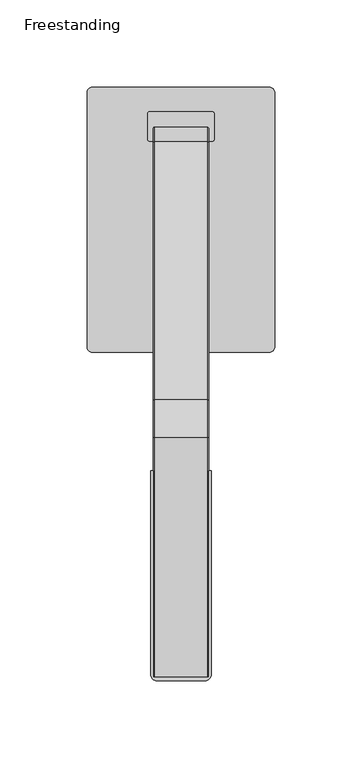
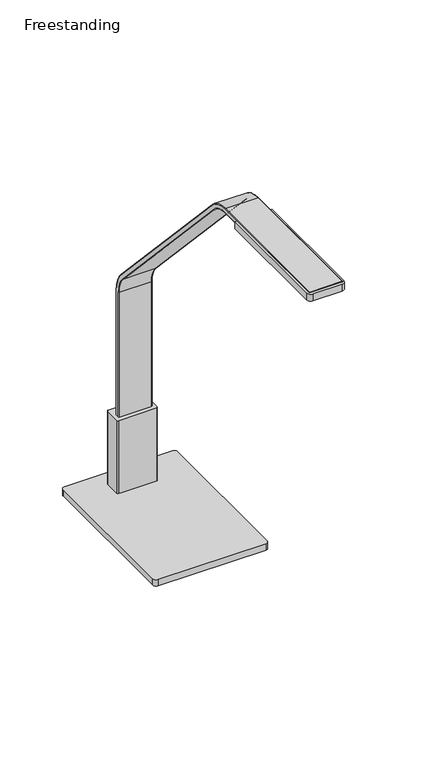
"""IFC4 building model written with IfcOpenShell, lengths in millimetres: furniture geometry, Freestanding."""

import ifcopenshell
import ifcopenshell.guid

model = None  # the IFC model being written
_history = None  # IfcOwnerHistory: only IFC2X3 demands one
_inside = {}  # id of a spatial element -> (the spatial element, [elements in it])
_under = {}  # id of a project, library or spatial element -> (it, [spatial elements below it])
_declared = {}  # id of a project -> (the project, [libraries it declares])
_typed = {}  # id of a type object -> (the type object, [elements of that type])
_made_of = {}  # id of a material, layer set ... -> (it, [elements and type objects made of it])


def new_model(schema):
    """Start an empty IFC model of exactly this schema.

    Asked for "IFC4X3", IfcOpenShell would pick the latest addendum, in which some entities
    have other attributes; the version numbers below select the first issue.
    IFC2X3 requires an IfcOwnerHistory on every rooted entity: one is made here for all.
    """
    global model, _history
    if schema == "IFC4X3":
        model = ifcopenshell.file(schema_version=(4, 3, 0, 0))
    else:
        model = ifcopenshell.file(schema=schema)
    _inside.clear()
    _under.clear()
    _declared.clear()
    _typed.clear()
    _made_of.clear()
    _history = None
    if model.schema == "IFC2X3":
        org = make("IfcOrganization", Name="unknown")
        user = make(
            "IfcPersonAndOrganization",
            ThePerson=make("IfcPerson", FamilyName="unknown"),
            TheOrganization=org,
        )
        app = make(
            "IfcApplication",
            ApplicationDeveloper=org,
            Version="unknown",
            ApplicationFullName="unknown",
            ApplicationIdentifier="unknown",
        )
        _history = make(
            "IfcOwnerHistory",
            OwningUser=user,
            OwningApplication=app,
            ChangeAction="ADDED",
            CreationDate=0,
        )
    return model


def make(cls, **values):
    """One entity of the class cls with the attributes given. An attribute that is None is left unset."""
    return model.create_entity(
        cls, **{name: value for name, value in values.items() if value is not None}
    )


def rooted(cls, **values):
    """An entity with a GlobalId (a new one), such as an element, a storey or a relation."""
    return make(cls, GlobalId=ifcopenshell.guid.new(), OwnerHistory=_history, **values)


def si_unit(unit_type, name, prefix=None):
    """IfcSIUnit, for example si_unit("LENGTHUNIT", "METRE", prefix="MILLI")."""
    return make("IfcSIUnit", UnitType=unit_type, Prefix=prefix, Name=name)


def assignment(units):
    """IfcUnitAssignment: the units of a project."""
    return None if units is None else make("IfcUnitAssignment", Units=units)


def point(xyz):
    """IfcCartesianPoint."""
    return None if xyz is None else make("IfcCartesianPoint", Coordinates=xyz)


def direction(xyz):
    """IfcDirection."""
    return None if xyz is None else make("IfcDirection", DirectionRatios=xyz)


def frame(location, z_axis=None, x_axis=None):
    """IfcAxis2Placement3D, a coordinate frame: its origin and axes. An axis left out is left unset."""
    return make(
        "IfcAxis2Placement3D",
        Location=point(location),
        Axis=direction(z_axis),
        RefDirection=direction(x_axis),
    )


def frame_2d(location, x_axis=None):
    """IfcAxis2Placement2D, a coordinate frame in the plane: its origin and x axis."""
    return make(
        "IfcAxis2Placement2D", Location=point(location), RefDirection=direction(x_axis)
    )


def origin():
    """The frame at (0, 0, 0) with its axes left unset."""
    return frame((0.0, 0.0, 0.0))


def place(relative_to, where):
    """IfcLocalPlacement: puts the frame where relative to a parent placement (None: the world)."""
    return make(
        "IfcLocalPlacement", PlacementRelTo=relative_to, RelativePlacement=where
    )


def context(
    kind, dimensions, precision=None, world=None, true_north=None, identifier=None
):
    """IfcGeometricRepresentationContext, for example the 3D "Model" context."""
    return make(
        "IfcGeometricRepresentationContext",
        ContextIdentifier=identifier,
        ContextType=kind,
        CoordinateSpaceDimension=dimensions,
        Precision=precision,
        WorldCoordinateSystem=world,
        TrueNorth=true_north,
    )


def project(units=None, contexts=None):
    """IfcProject with its units and contexts."""
    return rooted(
        "IfcProject",
        Name="project",
        RepresentationContexts=contexts,
        UnitsInContext=assignment(units),
    )


def spatial(cls, under=None, at=None, **own):
    """A site, building, storey or space (cls), placed at a placement, below another one or the project."""
    s = rooted(cls, ObjectPlacement=at, **own)
    if under is not None:
        _under.setdefault(under.id(), (under, []))[1].append(s)
    return s


def polyline(points):
    """IfcPolyline through the points."""
    return make("IfcPolyline", Points=[point(p) for p in points])


def circle_curve(where, radius):
    """IfcCircle in the frame where."""
    return make("IfcCircle", Position=where, Radius=radius)


def ellipse_curve(where, semi_axis1, semi_axis2):
    """IfcEllipse in the frame where."""
    return make(
        "IfcEllipse", Position=where, SemiAxis1=semi_axis1, SemiAxis2=semi_axis2
    )


def trimmed(basis, trim1, trim2, sense, master):
    """IfcTrimmedCurve: the piece of a basis curve between two trims."""
    return make(
        "IfcTrimmedCurve",
        BasisCurve=basis,
        Trim1=trim1,
        Trim2=trim2,
        SenseAgreement=sense,
        MasterRepresentation=master,
    )


def segment(curve, same_sense, transition):
    """IfcCompositeCurveSegment."""
    return make(
        "IfcCompositeCurveSegment",
        Transition=transition,
        SameSense=same_sense,
        ParentCurve=curve,
    )


def composite_curve(segments, self_intersect=None):
    """IfcCompositeCurve: segments joined end to end."""
    return make("IfcCompositeCurve", Segments=segments, SelfIntersect=self_intersect)


def outline(outer, holes=None, kind="AREA"):
    """IfcArbitraryClosedProfileDef: a profile drawn as a closed curve; with holes, ...WithVoids."""
    if holes is None:
        return make("IfcArbitraryClosedProfileDef", ProfileType=kind, OuterCurve=outer)
    return make(
        "IfcArbitraryProfileDefWithVoids",
        ProfileType=kind,
        OuterCurve=outer,
        InnerCurves=holes,
    )


def extrude(swept, where, along, depth):
    """IfcExtrudedAreaSolid: the profile swept, set in the frame where, extruded along a direction by depth."""
    return make(
        "IfcExtrudedAreaSolid",
        SweptArea=swept,
        Position=where,
        ExtrudedDirection=direction(along),
        Depth=depth,
    )


def shape(context_of_items, identifier, shape_type, items):
    """IfcShapeRepresentation: the items that make up one representation, for example the "Body"."""
    return make(
        "IfcShapeRepresentation",
        ContextOfItems=context_of_items,
        RepresentationIdentifier=identifier,
        RepresentationType=shape_type,
        Items=items,
    )


def source(mapping_origin, context_of_items, identifier, shape_type, items):
    """IfcRepresentationMap: a shape defined once, which mapped items show again and again."""
    return make(
        "IfcRepresentationMap",
        MappingOrigin=mapping_origin,
        MappedRepresentation=shape(context_of_items, identifier, shape_type, items),
    )


def transform(
    local_origin,
    x_axis=None,
    y_axis=None,
    z_axis=None,
    scale=None,
    scale2=None,
    scale3=None,
    uniform=True,
):
    """IfcCartesianTransformationOperator3D, or its non-uniform kind. x_axis, y_axis, z_axis: its Axis1, 2, 3."""
    if uniform:
        return make(
            "IfcCartesianTransformationOperator3D",
            Axis1=direction(x_axis),
            Axis2=direction(y_axis),
            LocalOrigin=point(local_origin),
            Scale=scale,
            Axis3=direction(z_axis),
        )
    return make(
        "IfcCartesianTransformationOperator3DnonUniform",
        Axis1=direction(x_axis),
        Axis2=direction(y_axis),
        LocalOrigin=point(local_origin),
        Scale=scale,
        Axis3=direction(z_axis),
        Scale2=scale2,
        Scale3=scale3,
    )


def mapped(mapping_source, mapping_target):
    """IfcMappedItem: shows the shape of a source again, moved by a transform."""
    return make(
        "IfcMappedItem", MappingSource=mapping_source, MappingTarget=mapping_target
    )


def made_of(thing, what):
    """Note that an element or type object is made of a material, layer set ...; save() writes the relation."""
    if what is not None:
        _made_of.setdefault(what.id(), (what, []))[1].append(thing)
    return thing


def element(
    cls,
    number,
    at=None,
    inside=None,
    cuts=None,
    type_object=None,
    material=None,
    context=None,
    identifier="Body",
    shape_type=None,
    held_by="IfcProductDefinitionShape",
    body=None,
    shapes=None,
    **own,
):
    """One element of the class cls, such as IfcWall. Its Tag is "e" and its number.

    at: its placement. inside: the storey or other place that contains it. cuts: it is an
    opening in that element (IfcRelVoidsElement). A single representation is given by context,
    identifier, shape_type and body (its items); several are given by shapes. held_by: the class
    of the entity that holds the representations. save() writes the other relations.
    """
    e = rooted(cls, Tag="e%d" % number, ObjectPlacement=at, **own)
    if body is not None:
        shapes = [shape(context, identifier, shape_type, body)]
    if shapes is not None:
        e.Representation = make(held_by, Representations=shapes)
    if inside is not None:
        _inside.setdefault(inside.id(), (inside, []))[1].append(e)
    if cuts is not None:
        rooted(
            "IfcRelVoidsElement", RelatingBuildingElement=cuts, RelatedOpeningElement=e
        )
    if type_object is not None:
        _typed.setdefault(type_object.id(), (type_object, []))[1].append(e)
    return made_of(e, material)


def aggregate(whole, parts):
    """IfcRelAggregates: a whole, such as a stair, and the parts it consists of."""
    return rooted("IfcRelAggregates", RelatingObject=whole, RelatedObjects=parts)


def save(model, path):
    """Write the relations noted so far, then the file.

    IfcRelAggregates (storeys below a building ...), IfcRelContainedInSpatialStructure (elements
    in a storey), IfcRelDefinesByType, IfcRelAssociatesMaterial and IfcRelDeclares: one each for
    every whole, place, type object, material and project.
    """
    for whole, parts in _under.values():
        aggregate(whole, parts)
    for where, things in _inside.values():
        rooted(
            "IfcRelContainedInSpatialStructure",
            RelatedElements=things,
            RelatingStructure=where,
        )
    for kind, things in _typed.values():
        rooted("IfcRelDefinesByType", RelatedObjects=things, RelatingType=kind)
    for what, things in _made_of.values():
        rooted("IfcRelAssociatesMaterial", RelatedObjects=things, RelatingMaterial=what)
    for by, libraries in _declared.values():
        rooted("IfcRelDeclares", RelatingContext=by, RelatedDefinitions=libraries)
    model.write(path)


def plane_surface(at):
    """IfcPlane: the flat surface through the origin of the frame at, square to its z axis."""
    return make("IfcPlane", Position=at)


def cylinder_surface(at, radius):
    """IfcCylindricalSurface: all points at the distance radius from the z axis of the frame at."""
    return make("IfcCylindricalSurface", Position=at, Radius=radius)


def revolved_surface(curve, axis_point, axis_direction):
    """IfcSurfaceOfRevolution: the curve turned about the line through axis_point along axis_direction."""
    return make(
        "IfcSurfaceOfRevolution",
        SweptCurve=make("IfcArbitraryOpenProfileDef", ProfileType="CURVE", Curve=curve),
        AxisPosition=make("IfcAxis1Placement", Location=point(axis_point), Axis=direction(axis_direction)),
    )


def advanced_brep(points, edges, surfaces, faces):
    """IfcAdvancedBrep: a solid bounded by faces that lie on surfaces and meet in shared edges.

    An edge is (start, end): straight between two places in points (the first is 0);
    or (start, end, curve); or (start, end, curve, False) where it runs against its curve.
    A face is (place in surfaces, loops), or (place, loops, False) where it looks against
    its surface's normal. A loop lists edges by number (the first is 1), with a minus sign
    where the edge is run from its end to its start. The first loop is the outer one.
    """
    corners = [point(p) for p in points]
    vertices = [make("IfcVertexPoint", VertexGeometry=c) for c in corners]
    made = []
    for start, end, *more in edges:
        made.append(
            make(
                "IfcEdgeCurve",
                EdgeStart=vertices[start],
                EdgeEnd=vertices[end],
                EdgeGeometry=more[0] if more else make("IfcPolyline", Points=[corners[start], corners[end]]),
                SameSense=more[1] if len(more) > 1 else True,
            )
        )
    hull = []
    for where, loops, *sense in faces:
        bounds = []
        for j, loop in enumerate(loops):
            ring = [make("IfcOrientedEdge", EdgeElement=made[abs(k) - 1], Orientation=k > 0) for k in loop]
            bounds.append(
                make(
                    "IfcFaceOuterBound" if j == 0 else "IfcFaceBound",
                    Bound=make("IfcEdgeLoop", EdgeList=ring),
                    Orientation=True,
                )
            )
        hull.append(make("IfcAdvancedFace", Bounds=bounds, FaceSurface=surfaces[where], SameSense=sense[0] if sense else True))
    return make("IfcAdvancedBrep", Outer=make("IfcClosedShell", CfsFaces=hull))


def freestanding_bfe1cf66(model_context):
    return source(origin(), model_context, "Body", "SolidModel", [
        extrude(outline(composite_curve([segment(trimmed(circle_curve(frame_2d((-41.2113861, 31.553418)), 6.35), [point((-47.5613861, 31.553418))], [point((-34.8613861, 31.553418))], False, "CARTESIAN"), True, "CONTINUOUS"), segment(trimmed(circle_curve(frame_2d((-41.2113861, 31.553418)), 6.35), [point((-34.8613861, 31.553418))], [point((-47.5613861, 31.553418))], False, "CARTESIAN"), True, "CONTINUOUS")], self_intersect=False)), frame((0.0, 0.0, 711.2), z_axis=(0.0, 0.0, 1.0), x_axis=(1.0, 0.0, 0.0)), (0.0, 0.0, 1.0), 4.7497828),
        extrude(outline(composite_curve([segment(trimmed(circle_curve(frame_2d((41.2113861, 31.553418)), 6.35), [point((47.5613861, 31.553418))], [point((34.8613861, 31.553418))], False, "CARTESIAN"), True, "CONTINUOUS"), segment(trimmed(circle_curve(frame_2d((41.2113861, 31.553418)), 6.35), [point((34.8613861, 31.553418))], [point((47.5613861, 31.553418))], False, "CARTESIAN"), True, "CONTINUOUS")], self_intersect=False)), frame((0.0, 0.0, 711.2), z_axis=(0.0, 0.0, 1.0), x_axis=(1.0, 0.0, 0.0)), (0.0, 0.0, 1.0), 4.7497828),
        extrude(outline(composite_curve([segment(trimmed(circle_curve(frame_2d((-41.2113861, -94.7478165)), 6.35), [point((-47.5613861, -94.7478165))], [point((-34.8613861, -94.7478165))], False, "CARTESIAN"), True, "CONTINUOUS"), segment(trimmed(circle_curve(frame_2d((-41.2113861, -94.7478165)), 6.35), [point((-34.8613861, -94.7478165))], [point((-47.5613861, -94.7478165))], False, "CARTESIAN"), True, "CONTINUOUS")], self_intersect=False)), frame((0.0, 0.0, 711.2), z_axis=(0.0, 0.0, 1.0), x_axis=(1.0, 0.0, 0.0)), (0.0, 0.0, 1.0), 4.7497828),
        extrude(outline(composite_curve([segment(trimmed(circle_curve(frame_2d((41.2113861, -94.7478165)), 6.35), [point((47.5613861, -94.7478165))], [point((34.8613861, -94.7478165))], False, "CARTESIAN"), True, "CONTINUOUS"), segment(trimmed(circle_curve(frame_2d((41.2113861, -94.7478165)), 6.35), [point((34.8613861, -94.7478165))], [point((47.5613861, -94.7478165))], False, "CARTESIAN"), True, "CONTINUOUS")], self_intersect=False)), frame((0.0, 0.0, 711.2), z_axis=(0.0, 0.0, 1.0), x_axis=(1.0, 0.0, 0.0)), (0.0, 0.0, 1.0), 4.7497828),
        extrude(outline(composite_curve([segment(polyline([(-53.9751938, -104.6222477), (-53.9751938, 41.4278492)]), True, "CONTINUOUS"), segment(trimmed(circle_curve(frame_2d((-50.8000969, 41.4278492)), 3.1750969), [point((-53.9751938, 41.4278492))], [point((-50.8000969, 44.6029461))], False, "CARTESIAN"), True, "CONTINUOUS"), segment(polyline([(-50.8000969, 44.6029461), (50.7995155, 44.6029461)]), True, "CONTINUOUS"), segment(trimmed(circle_curve(frame_2d((50.7995155, 41.4278492)), 3.1750969), [point((50.7995155, 44.6029461))], [point((53.9746124, 41.4278492))], False, "CARTESIAN"), True, "CONTINUOUS"), segment(polyline([(53.9746124, 41.4278492), (53.9746124, -104.6222477)]), True, "CONTINUOUS"), segment(trimmed(circle_curve(frame_2d((50.7998062, -104.6222477)), 3.1748062), [point((53.9746124, -104.6222477))], [point((50.7998062, -107.7970539))], False, "CARTESIAN"), True, "CONTINUOUS"), segment(polyline([(50.7998062, -107.7970539), (-50.8003876, -107.7970539)]), True, "CONTINUOUS"), segment(trimmed(circle_curve(frame_2d((-50.8003876, -104.6222477)), 3.1748062), [point((-50.8003876, -107.7970539))], [point((-53.9751938, -104.6222477))], False, "CARTESIAN"), True, "CONTINUOUS")], self_intersect=False)), frame((0.0, 0.0, 715.9497828), z_axis=(0.0, 0.0, 1.0), x_axis=(1.0, 0.0, 0.0)), (0.0, 0.0, 1.0), 6.3500484),
        extrude(outline(composite_curve([segment(trimmed(circle_curve(frame_2d((18.034, 29.4391905)), 1.016), [point((18.034, 30.4551905))], [point((19.05, 29.4391905))], False, "CARTESIAN"), True, "CONTINUOUS"), segment(polyline([(19.05, 29.4391905), (19.05, 14.5802157)]), True, "CONTINUOUS"), segment(trimmed(circle_curve(frame_2d((18.034, 14.5802157)), 1.016), [point((19.05, 14.5802157))], [point((18.034, 13.5642157))], False, "CARTESIAN"), True, "CONTINUOUS"), segment(polyline([(18.034, 13.5642157), (-18.034, 13.5642157)]), True, "CONTINUOUS"), segment(trimmed(circle_curve(frame_2d((-18.034, 14.5802157)), 1.016), [point((-18.034, 13.5642157))], [point((-19.05, 14.5802157))], False, "CARTESIAN"), True, "CONTINUOUS"), segment(polyline([(-19.05, 14.5802157), (-19.05, 29.4391905)]), True, "CONTINUOUS"), segment(trimmed(circle_curve(frame_2d((-18.034, 29.4391905)), 1.016), [point((-19.05, 29.4391905))], [point((-18.034, 30.4551905))], False, "CARTESIAN"), True, "CONTINUOUS"), segment(polyline([(-18.034, 30.4551905), (18.034, 30.4551905)]), True, "CONTINUOUS")], self_intersect=False)), frame((0.0, 0.0, 722.2998312), z_axis=(0.0, 0.0, 1.0), x_axis=(1.0, 0.0, 0.0)), (0.0, 0.0, 1.0), 73.0249688),
        extrude(outline(composite_curve([segment(polyline([(17.4750961, -176.0056678), (17.4750961, -292.8456678)]), True, "CONTINUOUS"), segment(trimmed(circle_curve(frame_2d((13.6650961, -292.8456678)), 3.81), [point((17.4750961, -292.8456678))], [point((13.6650961, -296.6556678))], False, "CARTESIAN"), True, "CONTINUOUS"), segment(polyline([(13.6650961, -296.6556678), (-13.6525, -296.6556678)]), True, "CONTINUOUS"), segment(trimmed(circle_curve(frame_2d((-13.6525, -292.8456678)), 3.81), [point((-13.6525, -296.6556678))], [point((-17.4625, -292.8456678))], False, "CARTESIAN"), True, "CONTINUOUS"), segment(polyline([(-17.4625, -292.8456678), (-17.4625, -176.0056678), (17.4750961, -176.0056678)]), True, "CONTINUOUS")], self_intersect=False)), frame((0.0, 0.0, 1101.2423787), z_axis=(0.0, 0.0, 1.0), x_axis=(1.0, 0.0, 0.0)), (0.0, 0.0, 1.0), 6.858),
        advanced_brep(
        [(-15.113, 21.5351681, 728.1420386), (15.113, 21.5351681, 728.1420386), (15.875, 20.7731681, 728.1420386), (15.875, 17.7251361, 728.1420386), (15.113, 16.9631361, 728.1420386), (-15.113, 16.9631361, 728.1420386), (-15.875, 17.7251361, 728.1420386), (-15.875, 20.7731681, 728.1420386), (-15.113, 21.5351681, 919.9306879), (15.113, 21.5351681, 919.9306879), (15.875, 20.7731681, 919.9306879), (15.875, 12.9261453, 939.8517272), (15.875, -135.4226637, 1098.9386569), (15.875, -156.7856729, 1108.2276496), (15.875, -294.313864, 1108.2276496), (15.875, -294.313864, 1105.1796176), (15.875, -156.7856729, 1105.1796176), (15.875, -137.6518682, 1096.8599202), (15.875, 10.6969408, 937.7729905), (15.875, 17.7251361, 919.9306879), (15.113, 16.9631361, 919.9306879), (-15.113, 16.9631361, 919.9306879), (-15.875, 17.7251361, 919.9306879), (-15.875, 10.6969408, 937.7729905), (-15.875, -137.6518682, 1096.8599202), (-15.875, -156.7856729, 1105.1796176), (-15.875, -294.313864, 1105.1796176), (-15.875, -294.313864, 1108.2276496), (-15.875, -156.7856729, 1108.2276496), (-15.875, -135.4226637, 1098.9386569), (-15.875, 12.9261453, 939.8517272), (-15.875, 20.7731681, 919.9306879), (15.113, 13.4834406, 940.3714059), (-15.113, 13.4834406, 940.3714059), (15.113, 10.1396455, 937.2533118), (-15.113, 10.1396455, 937.2533118), (-15.113, -134.8653684, 1099.4583356), (15.113, -134.8653684, 1099.4583356), (15.113, -138.2091635, 1096.3402415), (-15.113, -138.2091635, 1096.3402415), (15.113, -156.7856729, 1108.9896496), (-15.113, -156.7856729, 1108.9896496), (15.113, -156.7856729, 1104.4176176), (-15.113, -156.7856729, 1104.4176176), (-15.113, -294.313864, 1108.9896496), (-15.113, -294.313864, 1104.4176176), (15.113, -294.313864, 1104.4176176), (15.113, -294.313864, 1108.9896496)],
        [
            (0, 1),
            (1, 2, circle_curve(frame((15.113, 20.7731681, 728.1420386), z_axis=(0.0, 0.0, -1.0), x_axis=(0.0, -1.0, 0.0)), 0.762)),
            (2, 3),
            (3, 4, circle_curve(frame((15.113, 17.7251361, 728.1420386), z_axis=(0.0, 0.0, -1.0), x_axis=(0.0, -1.0, 0.0)), 0.762)),
            (4, 5),
            (5, 6, circle_curve(frame((-15.113, 17.7251361, 728.1420386), z_axis=(0.0, 0.0, -1.0), x_axis=(0.0, -1.0, 0.0)), 0.762)),
            (6, 7),
            (7, 0, circle_curve(frame((-15.113, 20.7731681, 728.1420386), z_axis=(0.0, 0.0, -1.0), x_axis=(0.0, -1.0, 0.0)), 0.762)),
            (0, 8),
            (8, 9),
            (9, 1),
            (9, 10, circle_curve(frame((15.113, 20.7731681, 919.9306879), z_axis=(0.0, 0.0, -1.0), x_axis=(0.0, -1.0, 0.0)), 0.762)),
            (10, 2),
            (10, 11, circle_curve(frame((15.875, -8.4368639, 919.9306879), z_axis=(1.0, 0.0, 0.0), x_axis=(0.0, 1.0, 0.0)), 29.210032)),
            (11, 12),
            (12, 13, circle_curve(frame((15.875, -156.7856729, 1079.0176176), z_axis=(1.0, 0.0, 0.0), x_axis=(0.0, 0.7313586383957666, 0.6819930659793325)), 29.210032)),
            (13, 14),
            (14, 15),
            (15, 16),
            (16, 17, circle_curve(frame((15.875, -156.7856729, 1079.0176176), z_axis=(-1.0, 0.0, 0.0), x_axis=(0.0, 0.7313586383957666, 0.6819930659793325)), 26.162)),
            (17, 18),
            (18, 19, circle_curve(frame((15.875, -8.4368639, 919.9306879), z_axis=(-1.0, 0.0, 0.0), x_axis=(0.0, 1.0, 0.0)), 26.162)),
            (19, 3),
            (19, 20, circle_curve(frame((15.113, 17.7251361, 919.9306879), z_axis=(0.0, 0.0, -1.0), x_axis=(0.0, -1.0, 0.0)), 0.762)),
            (20, 4),
            (20, 21),
            (21, 5),
            (21, 22, circle_curve(frame((-15.113, 17.7251361, 919.9306879), z_axis=(0.0, 0.0, -1.0), x_axis=(0.0, -1.0, 0.0)), 0.762)),
            (22, 6),
            (22, 23, circle_curve(frame((-15.875, -8.4368639, 919.9306879), z_axis=(1.0, 0.0, 0.0), x_axis=(0.0, 1.0, 0.0)), 26.162)),
            (23, 24),
            (24, 25, circle_curve(frame((-15.875, -156.7856729, 1079.0176176), z_axis=(1.0, 0.0, 0.0), x_axis=(0.0, 0.7313586383957666, 0.6819930659793325)), 26.162)),
            (25, 26),
            (26, 27),
            (27, 28),
            (28, 29, circle_curve(frame((-15.875, -156.7856729, 1079.0176176), z_axis=(-1.0, 0.0, 0.0), x_axis=(0.0, 0.7313586383957666, 0.6819930659793325)), 29.210032)),
            (29, 30),
            (30, 31, circle_curve(frame((-15.875, -8.4368639, 919.9306879), z_axis=(-1.0, 0.0, 0.0), x_axis=(0.0, 1.0, 0.0)), 29.210032)),
            (31, 7),
            (31, 8, circle_curve(frame((-15.113, 20.7731681, 919.9306879), z_axis=(0.0, 0.0, -1.0), x_axis=(0.0, -1.0, 0.0)), 0.762)),
            (32, 9, circle_curve(frame((15.113, -8.4368639, 919.9306879), z_axis=(-1.0, 0.0, 0.0), x_axis=(0.0, 1.0, 0.0)), 29.972032)),
            (8, 33, circle_curve(frame((-15.113, -8.4368639, 919.9306879), z_axis=(1.0, 0.0, 0.0), x_axis=(0.0, 1.0, 0.0)), 29.972032)),
            (33, 32),
            (32, 11, circle_curve(frame((15.113, 12.9261453, 939.8517272), z_axis=(0.0, 0.6819930659793774, -0.7313586383957249), x_axis=(0.0, -0.7313586383957249, -0.6819930659793774)), 0.762)),
            (34, 20, circle_curve(frame((15.113, -8.4368639, 919.9306879), z_axis=(-1.0, 0.0, 0.0), x_axis=(0.0, 1.0, 0.0)), 25.4)),
            (18, 34, circle_curve(frame((15.113, 10.6969408, 937.7729905), z_axis=(0.0, 0.6819930659793765, -0.7313586383957257), x_axis=(0.0, -0.7313586383957257, -0.6819930659793765)), 0.762)),
            (35, 21, circle_curve(frame((-15.113, -8.4368639, 919.9306879), z_axis=(-1.0, 0.0, 0.0), x_axis=(0.0, 1.0, 0.0)), 25.4)),
            (34, 35),
            (35, 23, circle_curve(frame((-15.113, 10.6969408, 937.7729905), z_axis=(0.0, 0.6819930659793757, -0.7313586383957265), x_axis=(0.0, -0.7313586383957265, -0.6819930659793757)), 0.762)),
            (30, 33, circle_curve(frame((-15.113, 12.9261453, 939.8517272), z_axis=(0.0, 0.6819930659793763, -0.7313586383957259), x_axis=(0.0, -0.7313586383957259, -0.6819930659793763)), 0.762)),
            (33, 36),
            (36, 37),
            (37, 32),
            (37, 12, circle_curve(frame((15.113, -135.4226637, 1098.9386569), z_axis=(0.0, 0.6819930659793672, -0.7313586383957346), x_axis=(0.0, -0.7313586383957346, -0.6819930659793672)), 0.762)),
            (17, 38, circle_curve(frame((15.113, -137.6518682, 1096.8599202), z_axis=(0.0, 0.6819930659793672, -0.7313586383957346), x_axis=(0.0, -0.7313586383957346, -0.6819930659793672)), 0.762)),
            (38, 34),
            (38, 39),
            (39, 35),
            (39, 24, circle_curve(frame((-15.113, -137.6518682, 1096.8599202), z_axis=(0.0, 0.6819930659793672, -0.7313586383957346), x_axis=(0.0, -0.7313586383957346, -0.6819930659793672)), 0.762)),
            (29, 36, circle_curve(frame((-15.113, -135.4226637, 1098.9386569), z_axis=(0.0, 0.6819930659793672, -0.7313586383957346), x_axis=(0.0, -0.7313586383957346, -0.6819930659793672)), 0.762)),
            (40, 37, circle_curve(frame((15.113, -156.7856729, 1079.0176176), z_axis=(-1.0, 0.0, 0.0), x_axis=(0.0, 0.7313586383957666, 0.6819930659793325)), 29.972032)),
            (36, 41, circle_curve(frame((-15.113, -156.7856729, 1079.0176176), z_axis=(1.0, 0.0, 0.0), x_axis=(0.0, 0.7313586383957666, 0.6819930659793325)), 29.972032)),
            (41, 40),
            (40, 13, circle_curve(frame((15.113, -156.7856729, 1108.2276496), z_axis=(0.0, 1.0, 0.0), x_axis=(0.0, 0.0, -1.0)), 0.762)),
            (42, 38, circle_curve(frame((15.113, -156.7856729, 1079.0176176), z_axis=(-1.0, 0.0, 0.0), x_axis=(0.0, 0.7313586383957666, 0.6819930659793325)), 25.4)),
            (16, 42, circle_curve(frame((15.113, -156.7856729, 1105.1796176), z_axis=(0.0, 1.0, 0.0), x_axis=(0.0, 0.0, -1.0)), 0.762)),
            (43, 39, circle_curve(frame((-15.113, -156.7856729, 1079.0176176), z_axis=(-1.0, 0.0, 0.0), x_axis=(0.0, 0.7313586383957666, 0.6819930659793325)), 25.4)),
            (42, 43),
            (43, 25, circle_curve(frame((-15.113, -156.7856729, 1105.1796176), z_axis=(0.0, 1.0, 0.0), x_axis=(0.0, 0.0, -1.0)), 0.762)),
            (28, 41, circle_curve(frame((-15.113, -156.7856729, 1108.2276496), z_axis=(0.0, 1.0, 0.0), x_axis=(0.0, 0.0, -1.0)), 0.762)),
            (44, 27, circle_curve(frame((-15.113, -294.313864, 1108.2276496), z_axis=(0.0, -1.0, 0.0), x_axis=(0.0, 0.0, -1.0)), 0.762)),
            (26, 45, circle_curve(frame((-15.113, -294.313864, 1105.1796176), z_axis=(0.0, -1.0, 0.0), x_axis=(0.0, 0.0, -1.0)), 0.762)),
            (45, 46),
            (46, 15, circle_curve(frame((15.113, -294.313864, 1105.1796176), z_axis=(0.0, -1.0, 0.0), x_axis=(0.0, 0.0, -1.0)), 0.762)),
            (14, 47, circle_curve(frame((15.113, -294.313864, 1108.2276496), z_axis=(0.0, -1.0, 0.0), x_axis=(0.0, 0.0, -1.0)), 0.762)),
            (47, 44),
            (41, 44),
            (47, 40),
            (46, 42),
            (45, 43),
        ],
        [
            plane_surface(frame((0.0, 16.9631361, 728.1420386), z_axis=(0.0, 0.0, -1.0), x_axis=(1.0, 0.0, 0.0))),
            plane_surface(frame((-15.113, 21.5351681, 728.1420386), z_axis=(0.0, 1.0, 0.0), x_axis=(0.0, 0.0, 1.0))),
            cylinder_surface(frame((15.113, 20.7731681, 728.1420386), z_axis=(0.0, 0.0, -1.0), x_axis=(0.0, -1.0, 0.0)), 0.762),
            plane_surface(frame((15.875, 20.7731681, 728.1420386), z_axis=(1.0, 0.0, 0.0), x_axis=(0.0, 0.0, 1.0))),
            cylinder_surface(frame((15.113, 17.7251361, 728.1420386), z_axis=(0.0, 0.0, -1.0), x_axis=(0.0, -1.0, 0.0)), 0.762),
            plane_surface(frame((15.113, 16.9631361, 728.1420386), z_axis=(0.0, -1.0, 0.0), x_axis=(0.0, 0.0, 1.0))),
            cylinder_surface(frame((-15.113, 17.7251361, 728.1420386), z_axis=(0.0, 0.0, -1.0), x_axis=(0.0, -1.0, 0.0)), 0.762),
            plane_surface(frame((-15.875, 17.7251361, 728.1420386), z_axis=(-1.0, 0.0, 0.0), x_axis=(0.0, 0.0, 1.0))),
            cylinder_surface(frame((-15.113, 20.7731681, 728.1420386), z_axis=(0.0, 0.0, -1.0), x_axis=(0.0, -1.0, 0.0)), 0.762),
            cylinder_surface(frame((0.0, -8.4368639, 919.9306879), z_axis=(1.0, 0.0, 0.0), x_axis=(0.0, 1.0, 0.0)), 29.972032),
            revolved_surface(trimmed(ellipse_curve(frame((15.113, 20.7731681, 919.9306879), z_axis=(0.0, 0.0, -1.0), x_axis=(0.0, -1.0, 0.0)), 0.762, 0.762), [point((15.113, 21.5351681, 919.9306879))], [point((15.875, 20.7731681, 919.9306879))], True, "CARTESIAN"), (0.0, -8.4368639, 919.9306879), (1.0, 0.0, 0.0)),
            revolved_surface(trimmed(ellipse_curve(frame((15.113, 17.7251361, 919.9306879), z_axis=(0.0, 0.0, -1.0), x_axis=(0.0, -1.0, 0.0)), 0.762, 0.762), [point((15.875, 17.7251361, 919.9306879))], [point((15.113, 16.9631361, 919.9306879))], True, "CARTESIAN"), (0.0, -8.4368639, 919.9306879), (1.0, 0.0, 0.0)),
            revolved_surface(polyline([(15.113, 16.9631361, 919.9306879), (-15.113, 16.9631361, 919.9306879)]), (0.0, -8.4368639, 919.9306879), (1.0, 0.0, 0.0)),
            revolved_surface(trimmed(ellipse_curve(frame((-15.113, 17.7251361, 919.9306879), z_axis=(0.0, 0.0, -1.0), x_axis=(0.0, -1.0, 0.0)), 0.762, 0.762), [point((-15.113, 16.9631361, 919.9306879))], [point((-15.875, 17.7251361, 919.9306879))], True, "CARTESIAN"), (0.0, -8.4368639, 919.9306879), (1.0, 0.0, 0.0)),
            revolved_surface(trimmed(ellipse_curve(frame((-15.113, 20.7731681, 919.9306879), z_axis=(0.0, 0.0, -1.0), x_axis=(0.0, -1.0, 0.0)), 0.762, 0.762), [point((-15.875, 20.7731681, 919.9306879))], [point((-15.113, 21.5351681, 919.9306879))], True, "CARTESIAN"), (0.0, -8.4368639, 919.9306879), (1.0, 0.0, 0.0)),
            plane_surface(frame((-15.113, 13.4834406, 940.3714059), z_axis=(0.0, 0.7313586383957345, 0.6819930659793672), x_axis=(0.0, -0.6819930659793672, 0.7313586383957345))),
            cylinder_surface(frame((15.113, 12.9261453, 939.8517272), z_axis=(0.0, 0.6819930659793672, -0.7313586383957346), x_axis=(0.0, -0.7313586383957346, -0.6819930659793672)), 0.762),
            cylinder_surface(frame((15.113, 10.6969408, 937.7729905), z_axis=(0.0, 0.6819930659793672, -0.7313586383957346), x_axis=(0.0, -0.7313586383957346, -0.6819930659793672)), 0.762),
            plane_surface(frame((15.113, 10.1396455, 937.2533118), z_axis=(0.0, -0.7313586383957343, -0.6819930659793673), x_axis=(0.0, -0.6819930659793673, 0.7313586383957343))),
            cylinder_surface(frame((-15.113, 10.6969408, 937.7729905), z_axis=(0.0, 0.6819930659793672, -0.7313586383957346), x_axis=(0.0, -0.7313586383957346, -0.6819930659793672)), 0.762),
            cylinder_surface(frame((-15.113, 12.9261453, 939.8517272), z_axis=(0.0, 0.6819930659793672, -0.7313586383957346), x_axis=(0.0, -0.7313586383957346, -0.6819930659793672)), 0.762),
            cylinder_surface(frame((0.0, -156.7856729, 1079.0176176), z_axis=(1.0, 0.0, 0.0), x_axis=(0.0, 0.7313586383957666, 0.6819930659793325)), 29.972032),
            revolved_surface(trimmed(ellipse_curve(frame((15.113, -135.4226637, 1098.9386569), z_axis=(0.0, 0.6819930659793325, -0.7313586383957666), x_axis=(0.0, -0.7313586383957666, -0.6819930659793325)), 0.762, 0.762), [point((15.113, -134.8653684, 1099.4583356))], [point((15.875, -135.4226637, 1098.9386569))], True, "CARTESIAN"), (0.0, -156.7856729, 1079.0176176), (1.0, 0.0, 0.0)),
            revolved_surface(trimmed(ellipse_curve(frame((15.113, -137.6518682, 1096.8599202), z_axis=(0.0, 0.6819930659793325, -0.7313586383957666), x_axis=(0.0, -0.7313586383957666, -0.6819930659793325)), 0.762, 0.762), [point((15.875, -137.6518682, 1096.8599202))], [point((15.113, -138.2091635, 1096.3402415))], True, "CARTESIAN"), (0.0, -156.7856729, 1079.0176176), (1.0, 0.0, 0.0)),
            revolved_surface(polyline([(15.113, -138.20916348474753, 1096.340241475875), (-15.113, -138.20916348474753, 1096.340241475875)]), (0.0, -156.7856729, 1079.0176176), (1.0, 0.0, 0.0)),
            revolved_surface(trimmed(ellipse_curve(frame((-15.113, -137.6518682, 1096.8599202), z_axis=(0.0, 0.6819930659793325, -0.7313586383957666), x_axis=(0.0, -0.7313586383957666, -0.6819930659793325)), 0.762, 0.762), [point((-15.113, -138.2091635, 1096.3402415))], [point((-15.875, -137.6518682, 1096.8599202))], True, "CARTESIAN"), (0.0, -156.7856729, 1079.0176176), (1.0, 0.0, 0.0)),
            revolved_surface(trimmed(ellipse_curve(frame((-15.113, -135.4226637, 1098.9386569), z_axis=(0.0, 0.6819930659793325, -0.7313586383957666), x_axis=(0.0, -0.7313586383957666, -0.6819930659793325)), 0.762, 0.762), [point((-15.875, -135.4226637, 1098.9386569))], [point((-15.113, -134.8653684, 1099.4583356))], True, "CARTESIAN"), (0.0, -156.7856729, 1079.0176176), (1.0, 0.0, 0.0)),
            plane_surface(frame((0.0, -294.313864, 1104.4176176), z_axis=(0.0, -1.0, 0.0), x_axis=(1.0, 0.0, 0.0))),
            plane_surface(frame((-15.113, -156.7856729, 1108.9896496), z_axis=(0.0, 0.0, 1.0), x_axis=(0.0, -1.0, 0.0))),
            cylinder_surface(frame((15.113, -156.7856729, 1108.2276496), z_axis=(0.0, 1.0, 0.0), x_axis=(0.0, 0.0, -1.0)), 0.762),
            cylinder_surface(frame((15.113, -156.7856729, 1105.1796176), z_axis=(0.0, 1.0, 0.0), x_axis=(0.0, 0.0, -1.0)), 0.762),
            plane_surface(frame((15.113, -156.7856729, 1104.4176176), z_axis=(0.0, 0.0, -1.0), x_axis=(0.0, -1.0, 0.0))),
            cylinder_surface(frame((-15.113, -156.7856729, 1105.1796176), z_axis=(0.0, 1.0, 0.0), x_axis=(0.0, 0.0, -1.0)), 0.762),
            cylinder_surface(frame((-15.113, -156.7856729, 1108.2276496), z_axis=(0.0, 1.0, 0.0), x_axis=(0.0, 0.0, -1.0)), 0.762),
        ],
        [
            (0, [[1, 2, 3, 4, 5, 6, 7, 8]]),
            (1, [[-1, 9, 10, 11]]),
            (2, [[-2, -11, 12, 13]]),
            (3, [[-3, -13, 14, 15, 16, 17, 18, 19, 20, 21, 22, 23]]),
            (4, [[-4, -23, 24, 25]]),
            (5, [[-5, -25, 26, 27]]),
            (6, [[-6, -27, 28, 29]]),
            (7, [[-7, -29, 30, 31, 32, 33, 34, 35, 36, 37, 38, 39]]),
            (8, [[-8, -39, 40, -9]]),
            (9, [[41, -10, 42, 43]]),
            (10, [[-14, -12, -41, 44]]),
            (11, [[45, -24, -22, 46]]),
            (12, [[47, -26, -45, 48]]),
            (13, [[-30, -28, -47, 49]]),
            (14, [[-42, -40, -38, 50]]),
            (15, [[-43, 51, 52, 53]]),
            (16, [[-44, -53, 54, -15]]),
            (17, [[-46, -21, 55, 56]]),
            (18, [[-48, -56, 57, 58]]),
            (19, [[-49, -58, 59, -31]]),
            (20, [[-50, -37, 60, -51]]),
            (21, [[61, -52, 62, 63]]),
            (22, [[-16, -54, -61, 64]]),
            (23, [[65, -55, -20, 66]]),
            (24, [[67, -57, -65, 68]]),
            (25, [[-32, -59, -67, 69]]),
            (26, [[-62, -60, -36, 70]]),
            (27, [[71, -34, 72, 73, 74, -18, 75, 76]]),
            (28, [[-63, 77, -76, 78]]),
            (29, [[-64, -78, -75, -17]]),
            (30, [[-66, -19, -74, 79]]),
            (31, [[-68, -79, -73, 80]]),
            (32, [[-69, -80, -72, -33]]),
            (33, [[-70, -35, -71, -77]]),
        ],
    ),
    ])


if __name__ == "__main__":
    model = new_model("IFC4")
    model_context = context("Model", 3, world=origin())
    ifc_project = project(units=[si_unit("LENGTHUNIT", "METRE", prefix="MILLI")], contexts=[model_context])
    site = spatial("IfcSite", under=ifc_project)
    building = spatial("IfcBuilding", under=site)
    placement = place(None, origin())
    freestanding_shape = freestanding_bfe1cf66(model_context)
    element("IfcFurniture", 1, ObjectType="Freestanding", at=placement, inside=building, context=model_context, shape_type="MappedRepresentation", body=[
        mapped(freestanding_shape, transform((0.0, 0.0, 0.0), x_axis=(1.0, 0.0, 0.0), y_axis=(0.0, 1.0, 0.0), z_axis=(0.0, 0.0, 1.0))),
    ])
    save(model, "model.ifc")
